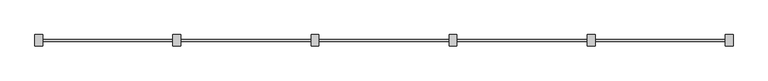
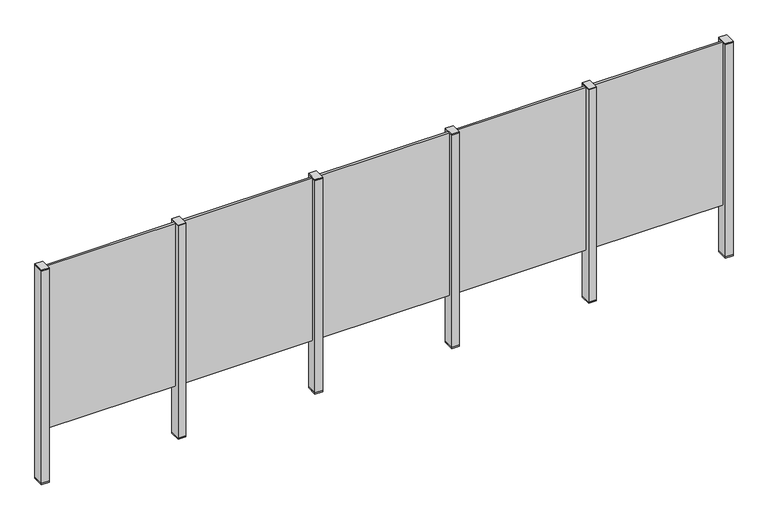
"""IFC4 building model written with IfcOpenShell, lengths in millimetres: railing geometry."""

from ifc_helpers import new_model, si_unit, frame, origin, place, context, project, spatial, polyline, outline, extrude, source, transform, mapped, element, save


def railing_ce024052(model_context):
    return source(origin(), model_context, "Body", "SweptSolid", [
        extrude(outline(polyline([(51237.0, 7360.3094929), (51237.0, 7373.5094929), (52017.0, 7373.5094929), (52017.0, 7360.3094929), (51237.0, 7360.3094929)])), frame((0.0, 0.0, 95.0), z_axis=(0.0, 0.0, 1.0), x_axis=(1.0, 0.0, 0.0)), (0.0, 0.0, 1.0), 1005.0),
        extrude(outline(polyline([(51249.5, 7400.1846828), (51249.5, 7335.1846828), (51204.5, 7335.1846828), (51204.5, 7400.1846828), (51249.5, 7400.1846828)])), frame((0.0, 0.0, 1100.0), z_axis=(0.0, 0.0, 1.0), x_axis=(1.0, 0.0, 0.0)), (0.0, 0.0, 1.0), 5.0),
        extrude(outline(polyline([(51249.5, 7400.1846828), (51249.5, 7335.1846828), (51204.5, 7335.1846828), (51204.5, 7400.1846828), (51249.5, 7400.1846828)])), frame((0.0, 0.0, -212.0), z_axis=(0.0, 0.0, 1.0), x_axis=(1.0, 0.0, 0.0)), (0.0, 0.0, 1.0), 1312.0),
        extrude(outline(polyline([(51249.5, 7400.1846828), (51249.5, 7335.1846828), (51204.5, 7335.1846828), (51204.5, 7400.1846828), (51249.5, 7400.1846828)])), frame((0.0, 0.0, -220.0), z_axis=(0.0, 0.0, 1.0), x_axis=(1.0, 0.0, 0.0)), (0.0, 0.0, 1.0), 8.0),
        extrude(outline(polyline([(50437.0, 7360.3094929), (50437.0, 7373.5094929), (51217.0, 7373.5094929), (51217.0, 7360.3094929), (50437.0, 7360.3094929)])), frame((0.0, 0.0, 95.0), z_axis=(0.0, 0.0, 1.0), x_axis=(1.0, 0.0, 0.0)), (0.0, 0.0, 1.0), 1005.0),
        extrude(outline(polyline([(50449.5, 7400.1846828), (50449.5, 7335.1846828), (50404.5, 7335.1846828), (50404.5, 7400.1846828), (50449.5, 7400.1846828)])), frame((0.0, 0.0, 1100.0), z_axis=(0.0, 0.0, 1.0), x_axis=(1.0, 0.0, 0.0)), (0.0, 0.0, 1.0), 5.0),
        extrude(outline(polyline([(50449.5, 7400.1846828), (50449.5, 7335.1846828), (50404.5, 7335.1846828), (50404.5, 7400.1846828), (50449.5, 7400.1846828)])), frame((0.0, 0.0, -212.0), z_axis=(0.0, 0.0, 1.0), x_axis=(1.0, 0.0, 0.0)), (0.0, 0.0, 1.0), 1312.0),
        extrude(outline(polyline([(50449.5, 7400.1846828), (50449.5, 7335.1846828), (50404.5, 7335.1846828), (50404.5, 7400.1846828), (50449.5, 7400.1846828)])), frame((0.0, 0.0, -220.0), z_axis=(0.0, 0.0, 1.0), x_axis=(1.0, 0.0, 0.0)), (0.0, 0.0, 1.0), 8.0),
        extrude(outline(polyline([(49637.0, 7360.3094929), (49637.0, 7373.5094929), (50417.0, 7373.5094929), (50417.0, 7360.3094929), (49637.0, 7360.3094929)])), frame((0.0, 0.0, 95.0), z_axis=(0.0, 0.0, 1.0), x_axis=(1.0, 0.0, 0.0)), (0.0, 0.0, 1.0), 1005.0),
        extrude(outline(polyline([(49649.5, 7400.1846828), (49649.5, 7335.1846828), (49604.5, 7335.1846828), (49604.5, 7400.1846828), (49649.5, 7400.1846828)])), frame((0.0, 0.0, 1100.0), z_axis=(0.0, 0.0, 1.0), x_axis=(1.0, 0.0, 0.0)), (0.0, 0.0, 1.0), 5.0),
        extrude(outline(polyline([(49649.5, 7400.1846828), (49649.5, 7335.1846828), (49604.5, 7335.1846828), (49604.5, 7400.1846828), (49649.5, 7400.1846828)])), frame((0.0, 0.0, -212.0), z_axis=(0.0, 0.0, 1.0), x_axis=(1.0, 0.0, 0.0)), (0.0, 0.0, 1.0), 1312.0),
        extrude(outline(polyline([(49649.5, 7400.1846828), (49649.5, 7335.1846828), (49604.5, 7335.1846828), (49604.5, 7400.1846828), (49649.5, 7400.1846828)])), frame((0.0, 0.0, -220.0), z_axis=(0.0, 0.0, 1.0), x_axis=(1.0, 0.0, 0.0)), (0.0, 0.0, 1.0), 8.0),
        extrude(outline(polyline([(48837.0, 7360.3094929), (48837.0, 7373.5094929), (49617.0, 7373.5094929), (49617.0, 7360.3094929), (48837.0, 7360.3094929)])), frame((0.0, 0.0, 95.0), z_axis=(0.0, 0.0, 1.0), x_axis=(1.0, 0.0, 0.0)), (0.0, 0.0, 1.0), 1005.0),
        extrude(outline(polyline([(48849.5, 7400.1846828), (48849.5, 7335.1846828), (48804.5, 7335.1846828), (48804.5, 7400.1846828), (48849.5, 7400.1846828)])), frame((0.0, 0.0, 1100.0), z_axis=(0.0, 0.0, 1.0), x_axis=(1.0, 0.0, 0.0)), (0.0, 0.0, 1.0), 5.0),
        extrude(outline(polyline([(48849.5, 7400.1846828), (48849.5, 7335.1846828), (48804.5, 7335.1846828), (48804.5, 7400.1846828), (48849.5, 7400.1846828)])), frame((0.0, 0.0, -212.0), z_axis=(0.0, 0.0, 1.0), x_axis=(1.0, 0.0, 0.0)), (0.0, 0.0, 1.0), 1312.0),
        extrude(outline(polyline([(48849.5, 7400.1846828), (48849.5, 7335.1846828), (48804.5, 7335.1846828), (48804.5, 7400.1846828), (48849.5, 7400.1846828)])), frame((0.0, 0.0, -220.0), z_axis=(0.0, 0.0, 1.0), x_axis=(1.0, 0.0, 0.0)), (0.0, 0.0, 1.0), 8.0),
        extrude(outline(polyline([(48037.0, 7360.3094929), (48037.0, 7373.5094929), (48817.0, 7373.5094929), (48817.0, 7360.3094929), (48037.0, 7360.3094929)])), frame((0.0, 0.0, 95.0), z_axis=(0.0, 0.0, 1.0), x_axis=(1.0, 0.0, 0.0)), (0.0, 0.0, 1.0), 1005.0),
        extrude(outline(polyline([(52049.5, 7400.1846828), (52049.5, 7335.1846828), (52004.5, 7335.1846828), (52004.5, 7400.1846828), (52049.5, 7400.1846828)])), frame((0.0, 0.0, 1100.0), z_axis=(0.0, 0.0, 1.0), x_axis=(1.0, 0.0, 0.0)), (0.0, 0.0, 1.0), 5.0),
        extrude(outline(polyline([(52049.5, 7400.1846828), (52049.5, 7335.1846828), (52004.5, 7335.1846828), (52004.5, 7400.1846828), (52049.5, 7400.1846828)])), frame((0.0, 0.0, -212.0), z_axis=(0.0, 0.0, 1.0), x_axis=(1.0, 0.0, 0.0)), (0.0, 0.0, 1.0), 1312.0),
        extrude(outline(polyline([(52049.5, 7400.1846828), (52049.5, 7335.1846828), (52004.5, 7335.1846828), (52004.5, 7400.1846828), (52049.5, 7400.1846828)])), frame((0.0, 0.0, -220.0), z_axis=(0.0, 0.0, 1.0), x_axis=(1.0, 0.0, 0.0)), (0.0, 0.0, 1.0), 8.0),
        extrude(outline(polyline([(48049.5, 7400.1846828), (48049.5, 7335.1846828), (48004.5, 7335.1846828), (48004.5, 7400.1846828), (48049.5, 7400.1846828)])), frame((0.0, 0.0, 1100.0), z_axis=(0.0, 0.0, 1.0), x_axis=(1.0, 0.0, 0.0)), (0.0, 0.0, 1.0), 5.0),
        extrude(outline(polyline([(48049.5, 7400.1846828), (48049.5, 7335.1846828), (48004.5, 7335.1846828), (48004.5, 7400.1846828), (48049.5, 7400.1846828)])), frame((0.0, 0.0, -212.0), z_axis=(0.0, 0.0, 1.0), x_axis=(1.0, 0.0, 0.0)), (0.0, 0.0, 1.0), 1312.0),
        extrude(outline(polyline([(48049.5, 7400.1846828), (48049.5, 7335.1846828), (48004.5, 7335.1846828), (48004.5, 7400.1846828), (48049.5, 7400.1846828)])), frame((0.0, 0.0, -220.0), z_axis=(0.0, 0.0, 1.0), x_axis=(1.0, 0.0, 0.0)), (0.0, 0.0, 1.0), 8.0),
    ])


if __name__ == "__main__":
    model = new_model("IFC4")
    model_context = context("Model", 3, world=origin())
    ifc_project = project(units=[si_unit("LENGTHUNIT", "METRE", prefix="MILLI")], contexts=[model_context])
    site = spatial("IfcSite", under=ifc_project)
    building = spatial("IfcBuilding", under=site)
    placement = place(None, origin())
    railing_shape = railing_ce024052(model_context)
    element("IfcRailing", 1, at=placement, inside=building, context=model_context, shape_type="MappedRepresentation", body=[
        mapped(railing_shape, transform((0.0, 0.0, 0.0), x_axis=(1.0, 0.0, 0.0), y_axis=(0.0, 1.0, 0.0), z_axis=(0.0, 0.0, 1.0))),
    ])
    save(model, "model.ifc")
